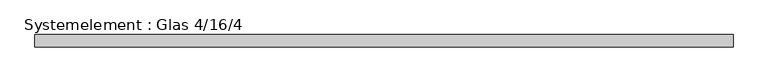
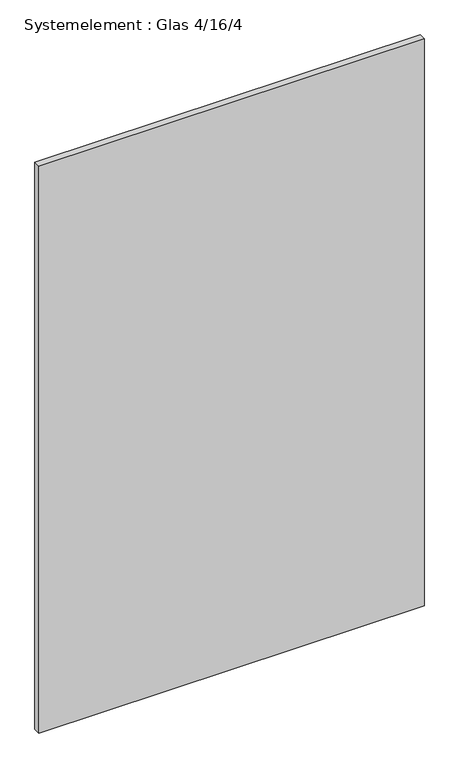
"""IFC4 building model written with IfcOpenShell, lengths in millimetres: plate geometry, Systemelement : Glas 4/16/4."""

from ifc_helpers import new_model, si_unit, origin, origin_with_axes, place, context, project, spatial, polyline, outline, extrude, source, transform, mapped, element, save


def systemelement_glas_4_16_4_a7d76deb(model_context):
    return source(origin(), model_context, "Body", "SweptSolid", [
        extrude(outline(polyline([(674.9999999, -12.0), (-674.9999999, -12.0), (-674.9999999, 12.0), (674.9999999, 12.0), (674.9999999, -12.0)])), origin_with_axes(), (0.0, 0.0, 1.0), 2100.0),
    ])


if __name__ == "__main__":
    model = new_model("IFC4")
    model_context = context("Model", 3, world=origin())
    ifc_project = project(units=[si_unit("LENGTHUNIT", "METRE", prefix="MILLI")], contexts=[model_context])
    site = spatial("IfcSite", under=ifc_project)
    building = spatial("IfcBuilding", under=site)
    placement = place(None, origin())
    systemelement_glas_4_16_4_shape = systemelement_glas_4_16_4_a7d76deb(model_context)
    element("IfcPlate", 1, ObjectType="Systemelement : Glas 4/16/4", at=placement, inside=building, context=model_context, shape_type="MappedRepresentation", body=[
        mapped(systemelement_glas_4_16_4_shape, transform((0.0, 0.0, 0.0), x_axis=(1.0, 0.0, 0.0), y_axis=(0.0, 1.0, 0.0), z_axis=(0.0, 0.0, 1.0))),
    ])
    save(model, "model.ifc")
